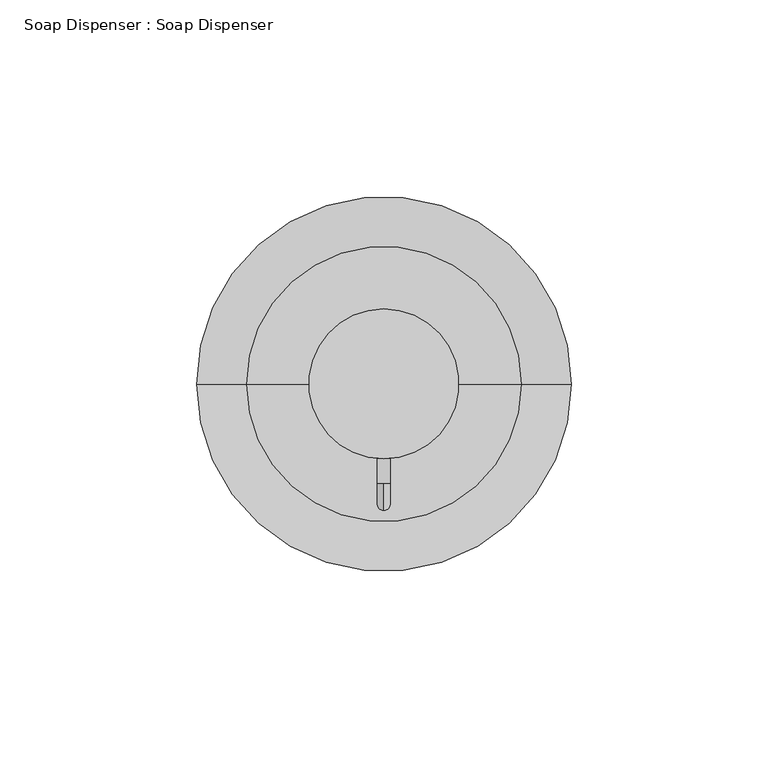
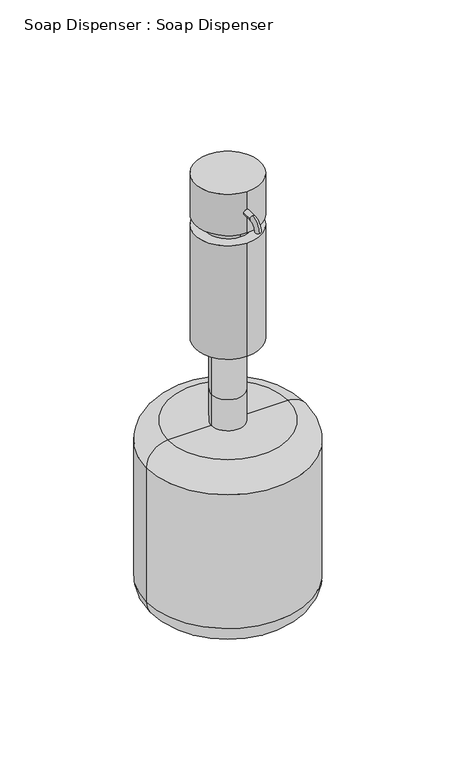
"""IFC4 building model written with IfcOpenShell, lengths in millimetres: proxy geometry, Soap Dispenser : Soap Dispenser."""

import ifcopenshell
import ifcopenshell.guid

model = None  # the IFC model being written
_history = None  # IfcOwnerHistory: only IFC2X3 demands one
_inside = {}  # id of a spatial element -> (the spatial element, [elements in it])
_under = {}  # id of a project, library or spatial element -> (it, [spatial elements below it])
_declared = {}  # id of a project -> (the project, [libraries it declares])
_typed = {}  # id of a type object -> (the type object, [elements of that type])
_made_of = {}  # id of a material, layer set ... -> (it, [elements and type objects made of it])


def new_model(schema):
    """Start an empty IFC model of exactly this schema.

    Asked for "IFC4X3", IfcOpenShell would pick the latest addendum, in which some entities
    have other attributes; the version numbers below select the first issue.
    IFC2X3 requires an IfcOwnerHistory on every rooted entity: one is made here for all.
    """
    global model, _history
    if schema == "IFC4X3":
        model = ifcopenshell.file(schema_version=(4, 3, 0, 0))
    else:
        model = ifcopenshell.file(schema=schema)
    _inside.clear()
    _under.clear()
    _declared.clear()
    _typed.clear()
    _made_of.clear()
    _history = None
    if model.schema == "IFC2X3":
        org = make("IfcOrganization", Name="unknown")
        user = make(
            "IfcPersonAndOrganization",
            ThePerson=make("IfcPerson", FamilyName="unknown"),
            TheOrganization=org,
        )
        app = make(
            "IfcApplication",
            ApplicationDeveloper=org,
            Version="unknown",
            ApplicationFullName="unknown",
            ApplicationIdentifier="unknown",
        )
        _history = make(
            "IfcOwnerHistory",
            OwningUser=user,
            OwningApplication=app,
            ChangeAction="ADDED",
            CreationDate=0,
        )
    return model


def make(cls, **values):
    """One entity of the class cls with the attributes given. An attribute that is None is left unset."""
    return model.create_entity(
        cls, **{name: value for name, value in values.items() if value is not None}
    )


def rooted(cls, **values):
    """An entity with a GlobalId (a new one), such as an element, a storey or a relation."""
    return make(cls, GlobalId=ifcopenshell.guid.new(), OwnerHistory=_history, **values)


def si_unit(unit_type, name, prefix=None):
    """IfcSIUnit, for example si_unit("LENGTHUNIT", "METRE", prefix="MILLI")."""
    return make("IfcSIUnit", UnitType=unit_type, Prefix=prefix, Name=name)


def assignment(units):
    """IfcUnitAssignment: the units of a project."""
    return None if units is None else make("IfcUnitAssignment", Units=units)


def point(xyz):
    """IfcCartesianPoint."""
    return None if xyz is None else make("IfcCartesianPoint", Coordinates=xyz)


def direction(xyz):
    """IfcDirection."""
    return None if xyz is None else make("IfcDirection", DirectionRatios=xyz)


def frame(location, z_axis=None, x_axis=None):
    """IfcAxis2Placement3D, a coordinate frame: its origin and axes. An axis left out is left unset."""
    return make(
        "IfcAxis2Placement3D",
        Location=point(location),
        Axis=direction(z_axis),
        RefDirection=direction(x_axis),
    )


def frame_2d(location, x_axis=None):
    """IfcAxis2Placement2D, a coordinate frame in the plane: its origin and x axis."""
    return make(
        "IfcAxis2Placement2D", Location=point(location), RefDirection=direction(x_axis)
    )


def origin():
    """The frame at (0, 0, 0) with its axes left unset."""
    return frame((0.0, 0.0, 0.0))


def origin_with_axes():
    """The frame at (0, 0, 0) with the z axis (0, 0, 1) and the x axis (1, 0, 0) written out."""
    return frame((0.0, 0.0, 0.0), z_axis=(0.0, 0.0, 1.0), x_axis=(1.0, 0.0, 0.0))


def place(relative_to, where):
    """IfcLocalPlacement: puts the frame where relative to a parent placement (None: the world)."""
    return make(
        "IfcLocalPlacement", PlacementRelTo=relative_to, RelativePlacement=where
    )


def context(
    kind, dimensions, precision=None, world=None, true_north=None, identifier=None
):
    """IfcGeometricRepresentationContext, for example the 3D "Model" context."""
    return make(
        "IfcGeometricRepresentationContext",
        ContextIdentifier=identifier,
        ContextType=kind,
        CoordinateSpaceDimension=dimensions,
        Precision=precision,
        WorldCoordinateSystem=world,
        TrueNorth=true_north,
    )


def project(units=None, contexts=None):
    """IfcProject with its units and contexts."""
    return rooted(
        "IfcProject",
        Name="project",
        RepresentationContexts=contexts,
        UnitsInContext=assignment(units),
    )


def spatial(cls, under=None, at=None, **own):
    """A site, building, storey or space (cls), placed at a placement, below another one or the project."""
    s = rooted(cls, ObjectPlacement=at, **own)
    if under is not None:
        _under.setdefault(under.id(), (under, []))[1].append(s)
    return s


def circle_curve(where, radius):
    """IfcCircle in the frame where."""
    return make("IfcCircle", Position=where, Radius=radius)


def ellipse_curve(where, semi_axis1, semi_axis2):
    """IfcEllipse in the frame where."""
    return make(
        "IfcEllipse", Position=where, SemiAxis1=semi_axis1, SemiAxis2=semi_axis2
    )


def trimmed(basis, trim1, trim2, sense, master):
    """IfcTrimmedCurve: the piece of a basis curve between two trims."""
    return make(
        "IfcTrimmedCurve",
        BasisCurve=basis,
        Trim1=trim1,
        Trim2=trim2,
        SenseAgreement=sense,
        MasterRepresentation=master,
    )


def segment(curve, same_sense, transition):
    """IfcCompositeCurveSegment."""
    return make(
        "IfcCompositeCurveSegment",
        Transition=transition,
        SameSense=same_sense,
        ParentCurve=curve,
    )


def composite_curve(segments, self_intersect=None):
    """IfcCompositeCurve: segments joined end to end."""
    return make("IfcCompositeCurve", Segments=segments, SelfIntersect=self_intersect)


def outline(outer, holes=None, kind="AREA"):
    """IfcArbitraryClosedProfileDef: a profile drawn as a closed curve; with holes, ...WithVoids."""
    if holes is None:
        return make("IfcArbitraryClosedProfileDef", ProfileType=kind, OuterCurve=outer)
    return make(
        "IfcArbitraryProfileDefWithVoids",
        ProfileType=kind,
        OuterCurve=outer,
        InnerCurves=holes,
    )


def extrude(swept, where, along, depth):
    """IfcExtrudedAreaSolid: the profile swept, set in the frame where, extruded along a direction by depth."""
    return make(
        "IfcExtrudedAreaSolid",
        SweptArea=swept,
        Position=where,
        ExtrudedDirection=direction(along),
        Depth=depth,
    )


def shape(context_of_items, identifier, shape_type, items):
    """IfcShapeRepresentation: the items that make up one representation, for example the "Body"."""
    return make(
        "IfcShapeRepresentation",
        ContextOfItems=context_of_items,
        RepresentationIdentifier=identifier,
        RepresentationType=shape_type,
        Items=items,
    )


def source(mapping_origin, context_of_items, identifier, shape_type, items):
    """IfcRepresentationMap: a shape defined once, which mapped items show again and again."""
    return make(
        "IfcRepresentationMap",
        MappingOrigin=mapping_origin,
        MappedRepresentation=shape(context_of_items, identifier, shape_type, items),
    )


def transform(
    local_origin,
    x_axis=None,
    y_axis=None,
    z_axis=None,
    scale=None,
    scale2=None,
    scale3=None,
    uniform=True,
):
    """IfcCartesianTransformationOperator3D, or its non-uniform kind. x_axis, y_axis, z_axis: its Axis1, 2, 3."""
    if uniform:
        return make(
            "IfcCartesianTransformationOperator3D",
            Axis1=direction(x_axis),
            Axis2=direction(y_axis),
            LocalOrigin=point(local_origin),
            Scale=scale,
            Axis3=direction(z_axis),
        )
    return make(
        "IfcCartesianTransformationOperator3DnonUniform",
        Axis1=direction(x_axis),
        Axis2=direction(y_axis),
        LocalOrigin=point(local_origin),
        Scale=scale,
        Axis3=direction(z_axis),
        Scale2=scale2,
        Scale3=scale3,
    )


def mapped(mapping_source, mapping_target):
    """IfcMappedItem: shows the shape of a source again, moved by a transform."""
    return make(
        "IfcMappedItem", MappingSource=mapping_source, MappingTarget=mapping_target
    )


def made_of(thing, what):
    """Note that an element or type object is made of a material, layer set ...; save() writes the relation."""
    if what is not None:
        _made_of.setdefault(what.id(), (what, []))[1].append(thing)
    return thing


def element(
    cls,
    number,
    at=None,
    inside=None,
    cuts=None,
    type_object=None,
    material=None,
    context=None,
    identifier="Body",
    shape_type=None,
    held_by="IfcProductDefinitionShape",
    body=None,
    shapes=None,
    **own,
):
    """One element of the class cls, such as IfcWall. Its Tag is "e" and its number.

    at: its placement. inside: the storey or other place that contains it. cuts: it is an
    opening in that element (IfcRelVoidsElement). A single representation is given by context,
    identifier, shape_type and body (its items); several are given by shapes. held_by: the class
    of the entity that holds the representations. save() writes the other relations.
    """
    e = rooted(cls, Tag="e%d" % number, ObjectPlacement=at, **own)
    if body is not None:
        shapes = [shape(context, identifier, shape_type, body)]
    if shapes is not None:
        e.Representation = make(held_by, Representations=shapes)
    if inside is not None:
        _inside.setdefault(inside.id(), (inside, []))[1].append(e)
    if cuts is not None:
        rooted(
            "IfcRelVoidsElement", RelatingBuildingElement=cuts, RelatedOpeningElement=e
        )
    if type_object is not None:
        _typed.setdefault(type_object.id(), (type_object, []))[1].append(e)
    return made_of(e, material)


def aggregate(whole, parts):
    """IfcRelAggregates: a whole, such as a stair, and the parts it consists of."""
    return rooted("IfcRelAggregates", RelatingObject=whole, RelatedObjects=parts)


def save(model, path):
    """Write the relations noted so far, then the file.

    IfcRelAggregates (storeys below a building ...), IfcRelContainedInSpatialStructure (elements
    in a storey), IfcRelDefinesByType, IfcRelAssociatesMaterial and IfcRelDeclares: one each for
    every whole, place, type object, material and project.
    """
    for whole, parts in _under.values():
        aggregate(whole, parts)
    for where, things in _inside.values():
        rooted(
            "IfcRelContainedInSpatialStructure",
            RelatedElements=things,
            RelatingStructure=where,
        )
    for kind, things in _typed.values():
        rooted("IfcRelDefinesByType", RelatedObjects=things, RelatingType=kind)
    for what, things in _made_of.values():
        rooted("IfcRelAssociatesMaterial", RelatedObjects=things, RelatingMaterial=what)
    for by, libraries in _declared.values():
        rooted("IfcRelDeclares", RelatingContext=by, RelatedDefinitions=libraries)
    model.write(path)


def plane_surface(at):
    """IfcPlane: the flat surface through the origin of the frame at, square to its z axis."""
    return make("IfcPlane", Position=at)


def cylinder_surface(at, radius):
    """IfcCylindricalSurface: all points at the distance radius from the z axis of the frame at."""
    return make("IfcCylindricalSurface", Position=at, Radius=radius)


def revolved_surface(curve, axis_point, axis_direction):
    """IfcSurfaceOfRevolution: the curve turned about the line through axis_point along axis_direction."""
    return make(
        "IfcSurfaceOfRevolution",
        SweptCurve=make("IfcArbitraryOpenProfileDef", ProfileType="CURVE", Curve=curve),
        AxisPosition=make("IfcAxis1Placement", Location=point(axis_point), Axis=direction(axis_direction)),
    )


def advanced_brep(points, edges, surfaces, faces):
    """IfcAdvancedBrep: a solid bounded by faces that lie on surfaces and meet in shared edges.

    An edge is (start, end): straight between two places in points (the first is 0);
    or (start, end, curve); or (start, end, curve, False) where it runs against its curve.
    A face is (place in surfaces, loops), or (place, loops, False) where it looks against
    its surface's normal. A loop lists edges by number (the first is 1), with a minus sign
    where the edge is run from its end to its start. The first loop is the outer one.
    """
    corners = [point(p) for p in points]
    vertices = [make("IfcVertexPoint", VertexGeometry=c) for c in corners]
    made = []
    for start, end, *more in edges:
        made.append(
            make(
                "IfcEdgeCurve",
                EdgeStart=vertices[start],
                EdgeEnd=vertices[end],
                EdgeGeometry=more[0] if more else make("IfcPolyline", Points=[corners[start], corners[end]]),
                SameSense=more[1] if len(more) > 1 else True,
            )
        )
    hull = []
    for where, loops, *sense in faces:
        bounds = []
        for j, loop in enumerate(loops):
            ring = [make("IfcOrientedEdge", EdgeElement=made[abs(k) - 1], Orientation=k > 0) for k in loop]
            bounds.append(
                make(
                    "IfcFaceOuterBound" if j == 0 else "IfcFaceBound",
                    Bound=make("IfcEdgeLoop", EdgeList=ring),
                    Orientation=True,
                )
            )
        hull.append(make("IfcAdvancedFace", Bounds=bounds, FaceSurface=surfaces[where], SameSense=sense[0] if sense else True))
    return make("IfcAdvancedBrep", Outer=make("IfcClosedShell", CfsFaces=hull))


def soap_dispenser_soap_dispenser_547e3b52(model_context):
    return source(origin(), model_context, "Body", "SolidModel", [
        advanced_brep(
        [(13.9267995, 0.0, -50.8), (-5.1232005, 0.0, -50.8), (-5.1232005, 0.0, -31.75), (13.9267995, 0.0, -31.75), (39.3267995, 0.0, -50.8), (-30.5232005, 0.0, -50.8), (52.0267995, 0.0, -63.5), (-43.2232005, 0.0, -63.5), (52.0267995, 0.0, -146.05), (-43.2232005, 0.0, -146.05), (39.3267995, 0.0, -158.75), (-30.5232005, 0.0, -158.75), (4.4017995, 0.0, -158.75), (13.9267995, 0.0, 0.0), (-5.1232005, 0.0, 0.0), (4.4017995, 0.0, 0.0)],
        [
            (0, 1, circle_curve(frame((4.4017995, 0.0, -50.8), z_axis=(0.0, 0.0, 1.0), x_axis=(-1.0, 0.0, 0.0)), 9.525)),
            (1, 2),
            (2, 3, circle_curve(frame((4.4017995, 0.0, -31.75), z_axis=(0.0, 0.0, -1.0), x_axis=(-1.0, 0.0, 0.0)), 9.525)),
            (3, 0),
            (1, 0, circle_curve(frame((4.4017995, 0.0, -50.8), z_axis=(0.0, 0.0, 1.0), x_axis=(-1.0, 0.0, 0.0)), 9.525)),
            (3, 2, circle_curve(frame((4.4017995, 0.0, -31.75), z_axis=(0.0, 0.0, -1.0), x_axis=(-1.0, 0.0, 0.0)), 9.525)),
            (4, 5, circle_curve(frame((4.4017995, 0.0, -50.8), z_axis=(0.0, 0.0, 1.0), x_axis=(-1.0, 0.0, 0.0)), 34.925)),
            (5, 1),
            (0, 4),
            (5, 4, circle_curve(frame((4.4017995, 0.0, -50.8), z_axis=(0.0, 0.0, 1.0), x_axis=(-1.0, 0.0, 0.0)), 34.925)),
            (6, 7, circle_curve(frame((4.4017995, 0.0, -63.5), z_axis=(0.0, 0.0, 1.0), x_axis=(-1.0, 0.0, 0.0)), 47.625)),
            (7, 5, circle_curve(frame((-30.5232005, 0.0, -63.5), z_axis=(0.0, 1.0, 0.0), x_axis=(1.0, 0.0, 0.0)), 12.7)),
            (4, 6, circle_curve(frame((39.3267995, 0.0, -63.5), z_axis=(0.0, 1.0, 0.0), x_axis=(-1.0, 0.0, 0.0)), 12.7)),
            (7, 6, circle_curve(frame((4.4017995, 0.0, -63.5), z_axis=(0.0, 0.0, 1.0), x_axis=(-1.0, 0.0, 0.0)), 47.625)),
            (8, 9, circle_curve(frame((4.4017995, 0.0, -146.05), z_axis=(0.0, 0.0, 1.0), x_axis=(-1.0, 0.0, 0.0)), 47.625)),
            (9, 7),
            (6, 8),
            (9, 8, circle_curve(frame((4.4017995, 0.0, -146.05), z_axis=(0.0, 0.0, 1.0), x_axis=(-1.0, 0.0, 0.0)), 47.625)),
            (10, 11, circle_curve(frame((4.4017995, 0.0, -158.75), z_axis=(0.0, 0.0, 1.0), x_axis=(-1.0, 0.0, 0.0)), 34.925)),
            (11, 9, circle_curve(frame((-30.5232005, 0.0, -146.05), z_axis=(0.0, 1.0, 0.0), x_axis=(1.0, 0.0, 0.0)), 12.7)),
            (8, 10, circle_curve(frame((39.3267995, 0.0, -146.05), z_axis=(0.0, 1.0, 0.0), x_axis=(-1.0, 0.0, 0.0)), 12.7)),
            (11, 10, circle_curve(frame((4.4017995, 0.0, -158.75), z_axis=(0.0, 0.0, 1.0), x_axis=(-1.0, 0.0, 0.0)), 34.925)),
            (12, 11),
            (10, 12),
            (13, 14, circle_curve(frame((4.4017995, 0.0, 0.0), z_axis=(0.0, 0.0, 1.0), x_axis=(-1.0, 0.0, 0.0)), 9.525)),
            (14, 15),
            (15, 13),
            (14, 13, circle_curve(frame((4.4017995, 0.0, 0.0), z_axis=(0.0, 0.0, 1.0), x_axis=(-1.0, 0.0, 0.0)), 9.525)),
            (2, 14),
            (13, 3),
        ],
        [
            cylinder_surface(frame((4.4017995, 0.0, 0.0), z_axis=(0.0, 0.0, -1.0), x_axis=(-1.0, 0.0, 0.0)), 9.525),
            plane_surface(frame((4.4017995, 0.0, -50.8), z_axis=(0.0, 0.0, 1.0), x_axis=(-1.0, 0.0, 0.0))),
            revolved_surface(trimmed(ellipse_curve(frame((-30.5232005, 0.0, -63.5), z_axis=(0.0, -1.0, 0.0), x_axis=(1.0, 0.0, 0.0)), 12.7, 12.7), [point((-30.5232005, 0.0, -50.8))], [point((-43.2232005, 0.0, -63.5))], True, "CARTESIAN"), (4.4017995, 0.0, 0.0), (0.0, 0.0, -1.0)),
            cylinder_surface(frame((4.4017995, 0.0, 0.0), z_axis=(0.0, 0.0, -1.0), x_axis=(-1.0, 0.0, 0.0)), 47.625),
            revolved_surface(trimmed(ellipse_curve(frame((-30.5232005, 0.0, -146.05), z_axis=(0.0, -1.0, 0.0), x_axis=(1.0, 0.0, 0.0)), 12.7, 12.7), [point((-43.2232005, 0.0, -146.05))], [point((-30.5232005, 0.0, -158.75))], True, "CARTESIAN"), (4.4017995, 0.0, 0.0), (0.0, 0.0, -1.0)),
            plane_surface(frame((4.4017995, 0.0, -158.75), z_axis=(0.0, 0.0, -1.0), x_axis=(-1.0, 0.0, 0.0))),
            plane_surface(frame((4.4017995, 0.0, 0.0), z_axis=(0.0, 0.0, 1.0), x_axis=(-1.0, 0.0, 0.0))),
        ],
        [
            (0, [[1, 2, 3, 4]]),
            (0, [[5, -4, 6, -2]]),
            (1, [[7, 8, -1, 9]]),
            (1, [[10, -9, -5, -8]]),
            (2, [[11, 12, -7, 13]]),
            (2, [[14, -13, -10, -12]]),
            (3, [[15, 16, -11, 17]]),
            (3, [[18, -17, -14, -16]]),
            (4, [[19, 20, -15, 21]]),
            (4, [[22, -21, -18, -20]]),
            (5, [[23, -19, 24]]),
            (5, [[-24, -22, -23]]),
            (6, [[25, 26, 27]]),
            (6, [[28, -27, -26]]),
            (0, [[-3, 29, -25, 30]]),
            (0, [[-6, -30, -28, -29]]),
        ],
    ),
        advanced_brep(
        [(4.3596196, -25.4, 90.5365489), (4.3596196, -25.4, 87.27831), (4.3596196, -32.1674223, 83.7691266), (4.3596196, -28.9091834, 83.7691266)],
        [
            (0, 1, circle_curve(frame((4.3596196, -25.4, 88.9074295), z_axis=(0.0, 1.0, 0.0), x_axis=(0.0, 0.0, -1.0)), 1.6291195)),
            (1, 0, circle_curve(frame((4.3596196, -25.4, 88.9074295), z_axis=(0.0, 1.0, 0.0), x_axis=(0.0, 0.0, -1.0)), 1.6291195)),
            (2, 3, circle_curve(frame((4.3596196, -30.5383029, 83.7691266), z_axis=(0.0, 0.0, -1.0), x_axis=(0.0, 1.0, 0.0)), 1.6291195)),
            (3, 2, circle_curve(frame((4.3596196, -30.5383029, 83.7691266), z_axis=(0.0, 0.0, -1.0), x_axis=(0.0, 1.0, 0.0)), 1.6291195)),
            (3, 1, circle_curve(frame((4.3596196, -25.4, 83.7691266), z_axis=(-1.0, 0.0, 0.0), x_axis=(0.0, 0.0, 1.0)), 3.5091834)),
            (0, 2, circle_curve(frame((4.3596196, -25.4, 83.7691266), z_axis=(1.0, 0.0, 0.0), x_axis=(0.0, 0.0, 1.0)), 6.7674223)),
        ],
        [
            plane_surface(frame((-141.6903804, -25.4, 88.9074295), z_axis=(0.0, 1.0, 0.0), x_axis=(1.0, 0.0, 0.0))),
            plane_surface(frame((-141.6903804, -30.5383029, 83.7691266), z_axis=(0.0, 0.0, -1.0), x_axis=(1.0, 0.0, 0.0))),
            revolved_surface(trimmed(ellipse_curve(frame((4.3596196, -25.4, 88.9074295), z_axis=(0.0, 1.0, 0.0), x_axis=(0.0, 0.0, -1.0)), 1.6291195, 1.6291195), [point((4.3596196, -25.4, 90.5365489))], [point((4.3596196, -25.4, 87.27831))], True, "CARTESIAN"), (-141.6903804, -25.4, 83.7691266), (1.0, 0.0, 0.0)),
            revolved_surface(trimmed(ellipse_curve(frame((4.3596196, -25.4, 88.9074295), z_axis=(0.0, 1.0, 0.0), x_axis=(0.0, 0.0, -1.0)), 1.6291195, 1.6291195), [point((4.3596196, -25.4, 87.27831))], [point((4.3596196, -25.4, 90.5365489))], True, "CARTESIAN"), (-141.6903804, -25.4, 83.7691266), (1.0, 0.0, 0.0)),
        ],
        [
            (0, [[1, 2]]),
            (1, [[3, 4]]),
            (2, [[5, -1, 6, -4]]),
            (3, [[-6, -2, -5, -3]]),
        ],
    ),
        extrude(outline(composite_curve([segment(trimmed(circle_curve(frame_2d((88.9, 4.3521901)), 1.6460119), [point((88.9, 2.7061782))], [point((88.9, 5.998202))], False, "CARTESIAN"), True, "CONTINUOUS"), segment(trimmed(circle_curve(frame_2d((88.9, 4.3521901)), 1.6460119), [point((88.9, 5.998202))], [point((88.9, 2.7061782))], False, "CARTESIAN"), True, "CONTINUOUS")], self_intersect=False)), frame((0.0, -25.4, 0.0), z_axis=(0.0, 1.0, 0.0), x_axis=(0.0, 0.0, 1.0)), (0.0, 0.0, 1.0), 6.35),
        extrude(outline(composite_curve([segment(trimmed(circle_curve(frame_2d((4.4017995, 0.0)), 19.05), [point((4.4017995, 19.05))], [point((4.4017995, -19.05))], False, "CARTESIAN"), True, "CONTINUOUS"), segment(trimmed(circle_curve(frame_2d((4.4017995, 0.0)), 19.05), [point((4.4017995, -19.05))], [point((4.4017995, 19.05))], False, "CARTESIAN"), True, "CONTINUOUS")], self_intersect=False)), frame((0.0, 0.0, 76.2), z_axis=(0.0, 0.0, 1.0), x_axis=(1.0, 0.0, 0.0)), (0.0, 0.0, 1.0), 25.4),
        extrude(outline(composite_curve([segment(trimmed(circle_curve(frame_2d((4.4017995, 0.0)), 12.7), [point((4.4017995, 12.7))], [point((4.4017995, -12.7))], False, "CARTESIAN"), True, "CONTINUOUS"), segment(trimmed(circle_curve(frame_2d((4.4017995, 0.0)), 12.7), [point((4.4017995, -12.7))], [point((4.4017995, 12.7))], False, "CARTESIAN"), True, "CONTINUOUS")], self_intersect=False)), frame((0.0, 0.0, 69.85), z_axis=(0.0, 0.0, 1.0), x_axis=(1.0, 0.0, 0.0)), (0.0, 0.0, 1.0), 6.35),
        extrude(outline(composite_curve([segment(trimmed(circle_curve(frame_2d((4.4017995, 0.0)), 19.05), [point((4.4017995, 19.05))], [point((4.4017995, -19.05))], False, "CARTESIAN"), True, "CONTINUOUS"), segment(trimmed(circle_curve(frame_2d((4.4017995, 0.0)), 19.05), [point((4.4017995, -19.05))], [point((4.4017995, 19.05))], False, "CARTESIAN"), True, "CONTINUOUS")], self_intersect=False)), origin_with_axes(), (0.0, 0.0, 1.0), 69.85),
    ])


if __name__ == "__main__":
    model = new_model("IFC4")
    model_context = context("Model", 3, world=origin())
    ifc_project = project(units=[si_unit("LENGTHUNIT", "METRE", prefix="MILLI")], contexts=[model_context])
    site = spatial("IfcSite", under=ifc_project)
    building = spatial("IfcBuilding", under=site)
    placement = place(None, origin())
    soap_dispenser_soap_dispenser_shape = soap_dispenser_soap_dispenser_547e3b52(model_context)
    element("IfcBuildingElementProxy", 1, Name="Soap Dispenser : Soap Dispenser", ObjectType="Soap Dispenser : Soap Dispenser", at=placement, inside=building, context=model_context, shape_type="MappedRepresentation", body=[
        mapped(soap_dispenser_soap_dispenser_shape, transform((0.0, 0.0, 0.0), x_axis=(1.0, 0.0, 0.0), y_axis=(0.0, 1.0, 0.0), z_axis=(0.0, 0.0, 1.0))),
    ])
    save(model, "model.ifc")
